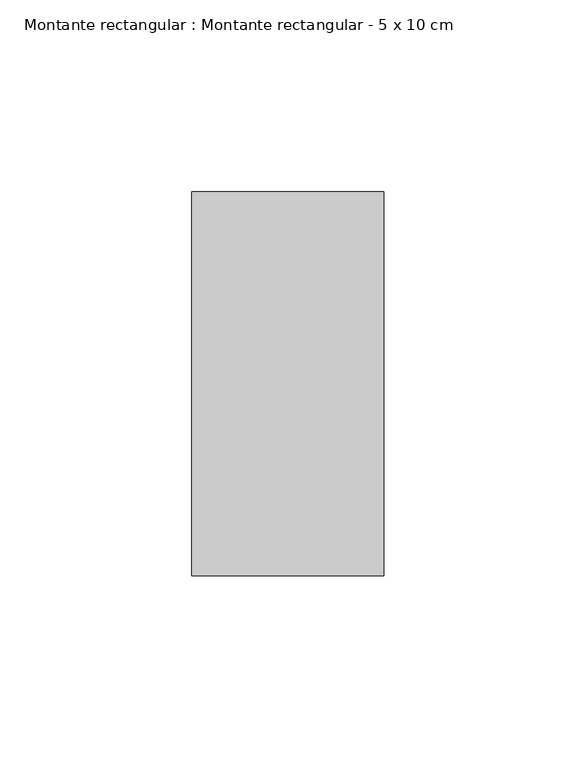
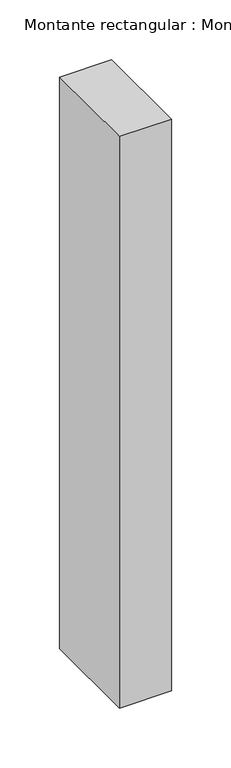
"""IFC4 building model written with IfcOpenShell, lengths in millimetres: member geometry, Montante rectangular : Montante rectangular - 5 x 10 cm."""

from ifc_helpers import new_model, si_unit, frame, origin, place, context, project, spatial, polyline, outline, extrude, source, transform, mapped, element, save


def montante_rectangular_montante_rectangular_5_x_10_cm_18586762(model_context):
    return source(origin(), model_context, "Body", "SweptSolid", [
        extrude(outline(polyline([(0.0, 50.0), (0.0, -50.0), (-50.0, -50.0), (-50.0, 50.0), (0.0, 50.0)])), frame((0.0, 0.0, -583.0), z_axis=(0.0, 0.0, 1.0), x_axis=(1.0, 0.0, 0.0)), (0.0, 0.0, 1.0), 583.0),
    ])


if __name__ == "__main__":
    model = new_model("IFC4")
    model_context = context("Model", 3, world=origin())
    ifc_project = project(units=[si_unit("LENGTHUNIT", "METRE", prefix="MILLI")], contexts=[model_context])
    site = spatial("IfcSite", under=ifc_project)
    building = spatial("IfcBuilding", under=site)
    placement = place(None, origin())
    montante_rectangular_montante_rectangular_5_x_10_cm_shape = montante_rectangular_montante_rectangular_5_x_10_cm_18586762(model_context)
    element("IfcMember", 1, ObjectType="Montante rectangular : Montante rectangular - 5 x 10 cm", at=placement, inside=building, context=model_context, shape_type="MappedRepresentation", body=[
        mapped(montante_rectangular_montante_rectangular_5_x_10_cm_shape, transform((0.0, 0.0, 0.0), x_axis=(1.0, 0.0, 0.0), y_axis=(0.0, 1.0, 0.0), z_axis=(0.0, 0.0, 1.0))),
    ])
    save(model, "model.ifc")
